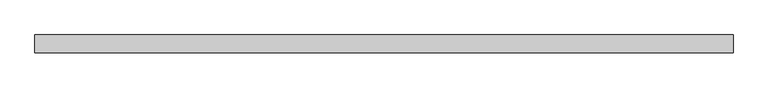
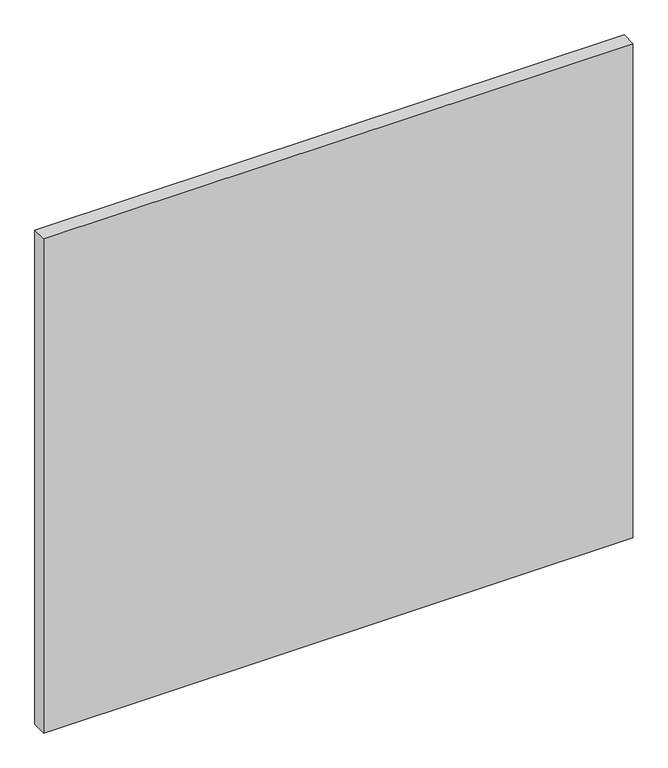
"""IFC4 building model written with IfcOpenShell, lengths in millimetres: plate geometry."""

from ifc_helpers import new_model, si_unit, origin, origin_with_axes, place, context, project, spatial, polyline, outline, extrude, source, transform, mapped, element, save


def plate_4620abf6(model_context):
    return source(origin(), model_context, "Body", "SweptSolid", [
        extrude(outline(polyline([(685.0625, -17.5), (-685.0625, -17.5), (-685.0625, 17.5), (685.0625, 17.5), (685.0625, -17.5)])), origin_with_axes(), (0.0, 0.0, 1.0), 1215.6666667),
    ])


if __name__ == "__main__":
    model = new_model("IFC4")
    model_context = context("Model", 3, world=origin())
    ifc_project = project(units=[si_unit("LENGTHUNIT", "METRE", prefix="MILLI")], contexts=[model_context])
    site = spatial("IfcSite", under=ifc_project)
    building = spatial("IfcBuilding", under=site)
    placement = place(None, origin())
    plate_shape = plate_4620abf6(model_context)
    element("IfcPlate", 1, at=placement, inside=building, context=model_context, shape_type="MappedRepresentation", body=[
        mapped(plate_shape, transform((0.0, 0.0, 0.0), x_axis=(1.0, 0.0, 0.0), y_axis=(0.0, 1.0, 0.0), z_axis=(0.0, 0.0, 1.0))),
    ])
    save(model, "model.ifc")
